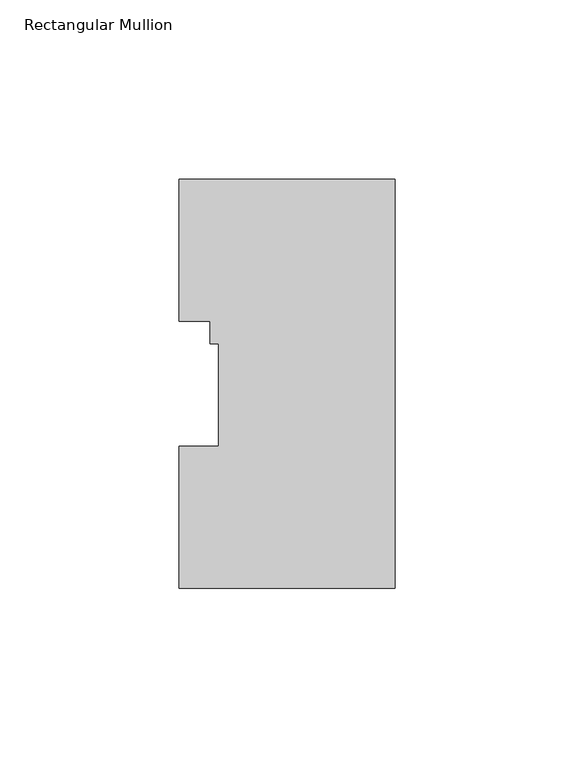
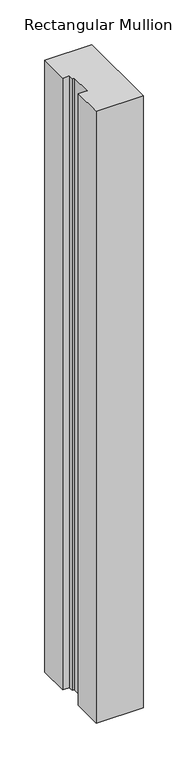
"""IFC4 building model written with IfcOpenShell, lengths in millimetres: member geometry, Rectangular Mullion."""

from ifc_helpers import new_model, si_unit, frame, origin, place, context, project, spatial, polyline, outline, extrude, source, transform, mapped, element, save


def rectangular_mullion_8d666748(model_context):
    return source(origin(), model_context, "Body", "SweptSolid", [
        extrude(outline(polyline([(0.0, 114.271425), (0.0, -0.028575), (-60.325, -0.028575), (-60.325, 39.646225), (-49.2125, 39.646225), (-49.2125, 68.246625), (-51.5874, 68.246625), (-51.5874, 74.596625), (-60.325, 74.596625), (-60.325, 114.271425), (0.0, 114.271425)])), frame((0.0, 0.0, -831.8499997), z_axis=(0.0, 0.0, 1.0), x_axis=(1.0, 0.0, 0.0)), (0.0, 0.0, 1.0), 831.8499997),
    ])


if __name__ == "__main__":
    model = new_model("IFC4")
    model_context = context("Model", 3, world=origin())
    ifc_project = project(units=[si_unit("LENGTHUNIT", "METRE", prefix="MILLI")], contexts=[model_context])
    site = spatial("IfcSite", under=ifc_project)
    building = spatial("IfcBuilding", under=site)
    placement = place(None, origin())
    rectangular_mullion_shape = rectangular_mullion_8d666748(model_context)
    element("IfcMember", 1, ObjectType="Rectangular Mullion", at=placement, inside=building, context=model_context, shape_type="MappedRepresentation", body=[
        mapped(rectangular_mullion_shape, transform((0.0, 0.0, 0.0), x_axis=(1.0, 0.0, 0.0), y_axis=(0.0, 1.0, 0.0), z_axis=(0.0, 0.0, 1.0))),
    ])
    save(model, "model.ifc")
